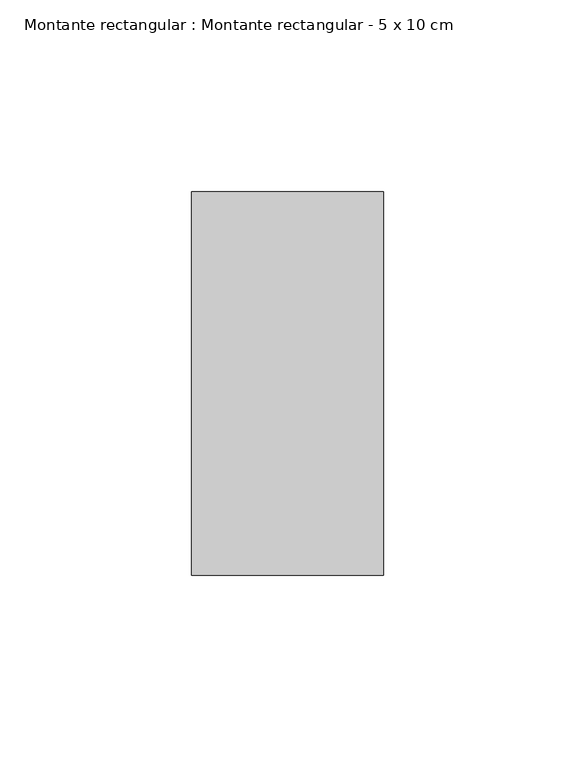
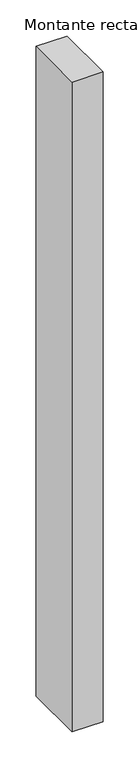
"""IFC4 building model written with IfcOpenShell, lengths in millimetres: member geometry, Montante rectangular : Montante rectangular - 5 x 10 cm."""

from ifc_helpers import new_model, si_unit, frame, origin, place, context, project, spatial, polyline, outline, extrude, source, transform, mapped, element, save


def montante_rectangular_montante_rectangular_5_x_10_cm_afa1a5cc(model_context):
    return source(origin(), model_context, "Body", "SweptSolid", [
        extrude(outline(polyline([(-50.0, 50.0), (0.0, 50.0), (0.0, -50.0), (-50.0, -50.0), (-50.0, 50.0)])), frame((0.0, 0.0, -1100.0), z_axis=(0.0, 0.0, 1.0), x_axis=(1.0, 0.0, 0.0)), (0.0, 0.0, 1.0), 1100.0),
    ])


if __name__ == "__main__":
    model = new_model("IFC4")
    model_context = context("Model", 3, world=origin())
    ifc_project = project(units=[si_unit("LENGTHUNIT", "METRE", prefix="MILLI")], contexts=[model_context])
    site = spatial("IfcSite", under=ifc_project)
    building = spatial("IfcBuilding", under=site)
    placement = place(None, origin())
    montante_rectangular_montante_rectangular_5_x_10_cm_shape = montante_rectangular_montante_rectangular_5_x_10_cm_afa1a5cc(model_context)
    element("IfcMember", 1, ObjectType="Montante rectangular : Montante rectangular - 5 x 10 cm", at=placement, inside=building, context=model_context, shape_type="MappedRepresentation", body=[
        mapped(montante_rectangular_montante_rectangular_5_x_10_cm_shape, transform((0.0, 0.0, 0.0), x_axis=(1.0, 0.0, 0.0), y_axis=(0.0, 1.0, 0.0), z_axis=(0.0, 0.0, 1.0))),
    ])
    save(model, "model.ifc")
